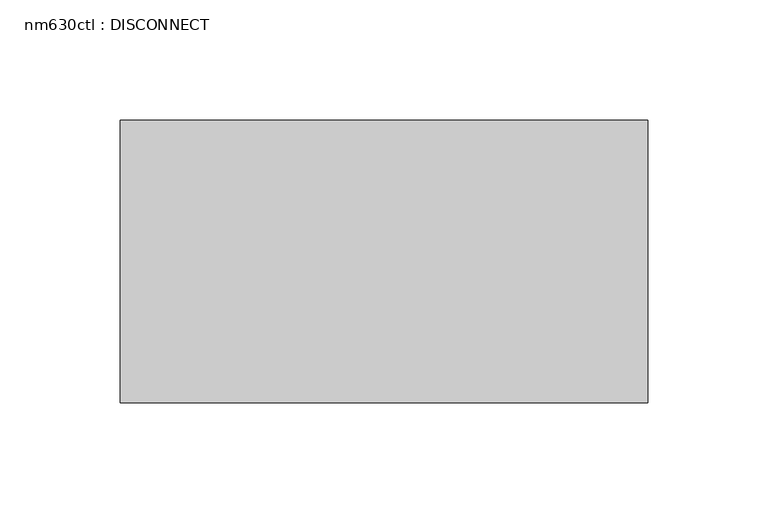
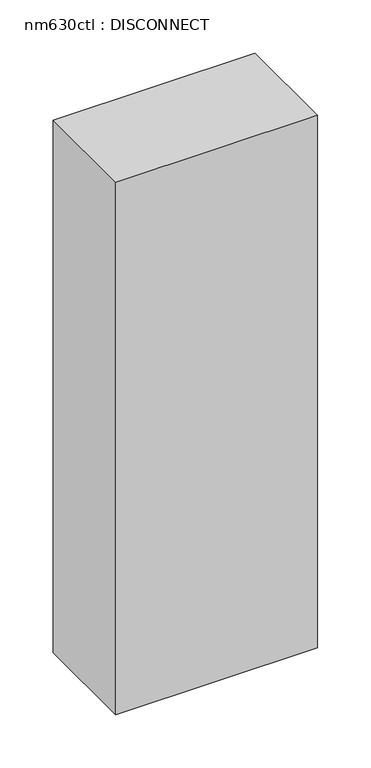
"""IFC4 building model written with IfcOpenShell, lengths in millimetres: proxy geometry, nm630ctl : DISCONNECT."""

from ifc_helpers import new_model, si_unit, frame, origin, place, context, project, spatial, polyline, outline, extrude, source, transform, mapped, element, save


def nm630ctl_disconnect_009d6be6(model_context):
    return source(origin(), model_context, "Body", "SweptSolid", [
        extrude(outline(polyline([(-109.474, -117.348), (-109.474, 0.0), (109.474, 0.0), (109.474, -117.348), (-109.474, -117.348)])), frame((0.0, 0.0, 1219.2), z_axis=(0.0, 0.0, 1.0), x_axis=(1.0, 0.0, 0.0)), (0.0, 0.0, 1.0), 609.6),
    ])


if __name__ == "__main__":
    model = new_model("IFC4")
    model_context = context("Model", 3, world=origin())
    ifc_project = project(units=[si_unit("LENGTHUNIT", "METRE", prefix="MILLI")], contexts=[model_context])
    site = spatial("IfcSite", under=ifc_project)
    building = spatial("IfcBuilding", under=site)
    placement = place(None, origin())
    nm630ctl_disconnect_shape = nm630ctl_disconnect_009d6be6(model_context)
    element("IfcBuildingElementProxy", 1, Name="nm630ctl : DISCONNECT", ObjectType="nm630ctl : DISCONNECT", at=placement, inside=building, context=model_context, shape_type="MappedRepresentation", body=[
        mapped(nm630ctl_disconnect_shape, transform((0.0, 0.0, 0.0), x_axis=(1.0, 0.0, 0.0), y_axis=(0.0, 1.0, 0.0), z_axis=(0.0, 0.0, 1.0))),
    ])
    save(model, "model.ifc")
